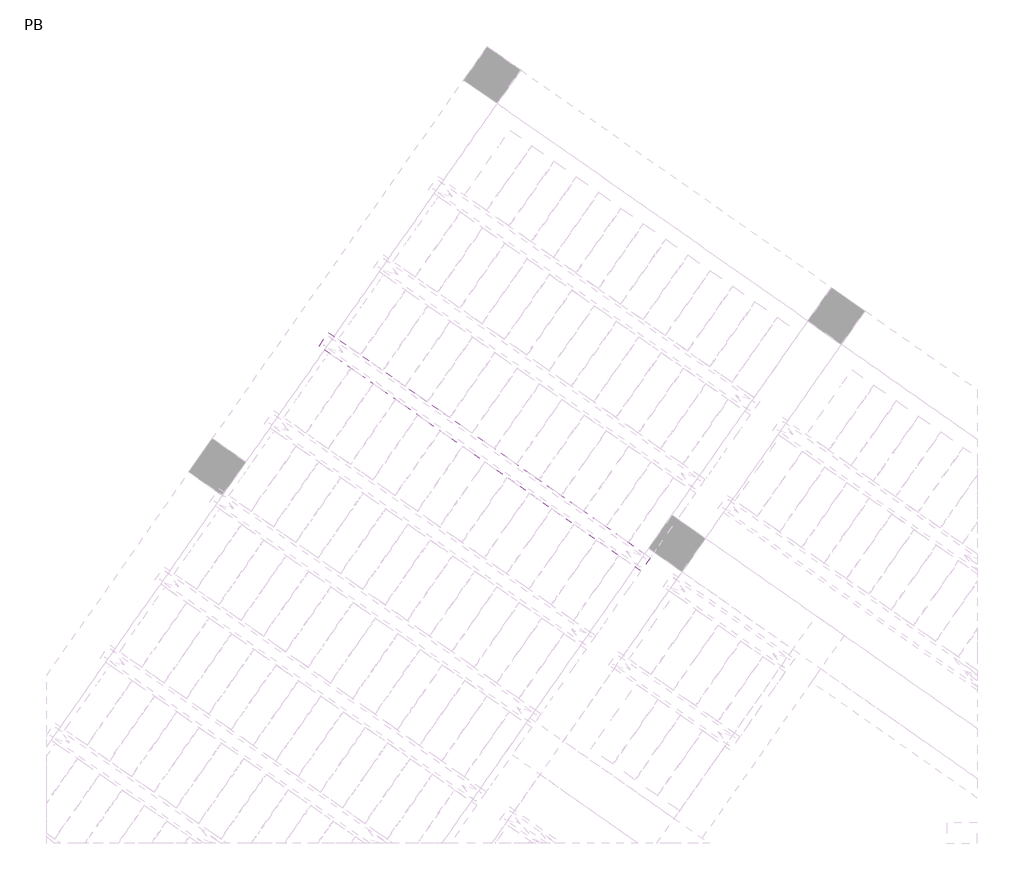
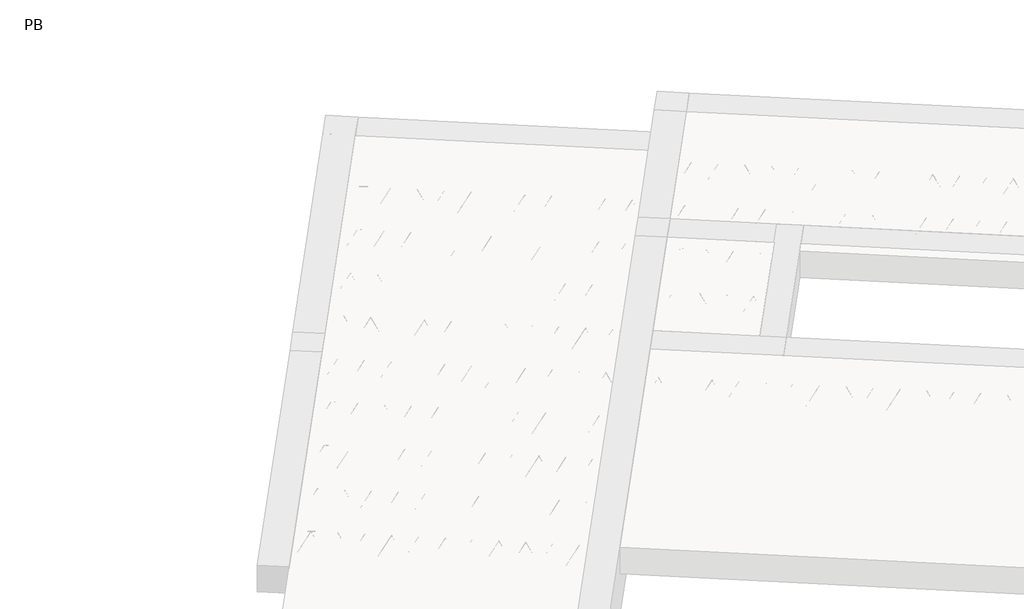
# One storey, part 49 of 56: 2 beams.
"""IFC4 building model written with IfcOpenShell, lengths in millimetres."""

from ifc_helpers import new_model, si_unit, point, frame, origin, origin_2d, place, context, project, spatial, polyline, circle_curve, trimmed, segment, composite_curve, outline, extrude, element, save

model = new_model("IFC4")

# Units and contexts
model_context = context("Model", 3, world=origin())
ifc_project = project(units=[si_unit("LENGTHUNIT", "METRE", prefix="MILLI")], contexts=[model_context])

# Site, building, storey
site = spatial("IfcSite", under=ifc_project)
building = spatial("IfcBuilding", under=site)
storey = spatial("IfcBuildingStorey", under=building, Name="PB", Elevation=95940.0)

# Beams
placement = place(None, origin())
element("IfcBeam", 1, at=placement, inside=storey, context=model_context, shape_type="SweptSolid", body=[
    extrude(outline(polyline([(3202.1787768, 8977.0732578), (3271.0079492, 9075.3715031), (5633.7631265, 7420.9525169), (5564.9339541, 7322.6542715), (3202.1787768, 8977.0732578)])), frame((0.0, 0.0, 98760.0), z_axis=(0.0, 0.0, 1.0), x_axis=(1.0, 0.0, 0.0)), (0.0, 0.0, 1.0), 50.0),
    extrude(outline(composite_curve([segment(trimmed(circle_curve(origin_2d(), 2.5), [point((-2.5, 0.0))], [point((2.5, 0.0))], False, "CARTESIAN"), True, "CONTINUOUS"), segment(trimmed(circle_curve(origin_2d(), 2.5), [point((2.5, 0.0))], [point((-2.5, 0.0))], False, "CARTESIAN"), True, "CONTINUOUS")], self_intersect=False)), frame((5559.0401395, 7356.0797551, 98785.0), z_axis=(-0.8191520442696126, 0.5735764363787226, 0.0), x_axis=(0.5735764363787226, 0.8191520442696126, 0.0)), (0.0, 0.0, 1.0), 2836.39148),
    extrude(outline(composite_curve([segment(trimmed(circle_curve(origin_2d(), 2.5), [point((-2.5, 0.0))], [point((2.4999999, 0.0))], False, "CARTESIAN"), True, "CONTINUOUS"), segment(trimmed(circle_curve(origin_2d(), 2.5), [point((2.4999999, 0.0))], [point((-2.5, 0.0))], False, "CARTESIAN"), True, "CONTINUOUS")], self_intersect=False)), frame((5482.8686094, 7453.3635199, 99010.0), z_axis=(-0.8191520442696126, 0.5735764363787226, 0.0), x_axis=(0.5735764363787226, 0.8191520442696126, 0.0)), (0.0, 0.0, 1.0), 2600.0),
    extrude(outline(composite_curve([segment(trimmed(circle_curve(origin_2d(), 2.5), [point((-2.5, 0.0))], [point((2.5, 0.0))], False, "CARTESIAN"), True, "CONTINUOUS"), segment(trimmed(circle_curve(origin_2d(), 2.5), [point((2.5, 0.0))], [point((-2.5, 0.0))], False, "CARTESIAN"), True, "CONTINUOUS")], self_intersect=False)), frame((5523.656261, 7380.8558136, 98785.0), z_axis=(-0.3145304735701046, 0.38933448886848654, 0.8657304643902053), x_axis=(0.7778747638402499, 0.6284193279813057, 0.0)), (0.0, 0.0, 1.0), 259.8961331),
    extrude(outline(composite_curve([segment(trimmed(circle_curve(origin_2d(), 2.5), [point((2.5, 0.0))], [point((-2.5, 0.0))], False, "CARTESIAN"), True, "CONTINUOUS"), segment(trimmed(circle_curve(origin_2d(), 2.5), [point((-2.5, 0.0))], [point((2.5, 0.0))], False, "CARTESIAN"), True, "CONTINUOUS")], self_intersect=False)), frame((5318.8682499, 7524.2499227, 98785.0), z_axis=(0.47343050384693375, -0.16240172737369005, 0.8657304643902051), x_axis=(-0.3244721671091268, -0.9458952440791246, 0.0)), (0.0, 0.0, 1.0), 259.8961331),
    extrude(outline(composite_curve([segment(trimmed(circle_curve(origin_2d(), 2.5), [point((-2.5, 0.0))], [point((2.5, 0.0))], False, "CARTESIAN"), True, "CONTINUOUS"), segment(trimmed(circle_curve(origin_2d(), 2.5), [point((2.5, 0.0))], [point((-2.5, 0.0))], False, "CARTESIAN"), True, "CONTINUOUS")], self_intersect=False)), frame((5318.8682499, 7524.2499227, 98785.0), z_axis=(-0.3145304735701046, 0.38933448886848654, 0.8657304643902053), x_axis=(0.7778747638402499, 0.6284193279813057, 0.0)), (0.0, 0.0, 1.0), 259.8961331),
    extrude(outline(composite_curve([segment(trimmed(circle_curve(origin_2d(), 2.5), [point((2.5, 0.0))], [point((-2.5, 1e-07))], False, "CARTESIAN"), True, "CONTINUOUS"), segment(trimmed(circle_curve(origin_2d(), 2.5), [point((-2.5, 1e-07))], [point((2.5, 0.0))], False, "CARTESIAN"), True, "CONTINUOUS")], self_intersect=False)), frame((5114.0802388, 7667.6440318, 98785.0), z_axis=(0.47343050384693375, -0.16240172737369005, 0.8657304643902051), x_axis=(-0.3244721671091268, -0.9458952440791246, 0.0)), (0.0, 0.0, 1.0), 259.8961331),
    extrude(outline(composite_curve([segment(trimmed(circle_curve(origin_2d(), 2.5), [point((-2.5, 0.0))], [point((2.5, 0.0))], False, "CARTESIAN"), True, "CONTINUOUS"), segment(trimmed(circle_curve(origin_2d(), 2.5), [point((2.5, 0.0))], [point((-2.5, 0.0))], False, "CARTESIAN"), True, "CONTINUOUS")], self_intersect=False)), frame((5114.0802388, 7667.6440318, 98785.0), z_axis=(-0.3145304735701046, 0.38933448886848654, 0.8657304643902053), x_axis=(0.7778747638402499, 0.6284193279813057, 0.0)), (0.0, 0.0, 1.0), 259.8961331),
    extrude(outline(composite_curve([segment(trimmed(circle_curve(origin_2d(), 2.5), [point((2.5, 0.0))], [point((-2.5, 0.0))], False, "CARTESIAN"), True, "CONTINUOUS"), segment(trimmed(circle_curve(origin_2d(), 2.5), [point((-2.5, 0.0))], [point((2.5, 0.0))], False, "CARTESIAN"), True, "CONTINUOUS")], self_intersect=False)), frame((4909.2922278, 7811.0381409, 98785.0), z_axis=(0.47343050384693375, -0.16240172737369005, 0.8657304643902051), x_axis=(-0.3244721671091268, -0.9458952440791246, 0.0)), (0.0, 0.0, 1.0), 259.8961331),
    extrude(outline(composite_curve([segment(trimmed(circle_curve(origin_2d(), 2.5), [point((-2.5, -1e-07))], [point((2.5, 0.0))], False, "CARTESIAN"), True, "CONTINUOUS"), segment(trimmed(circle_curve(origin_2d(), 2.5), [point((2.5, 0.0))], [point((-2.5, -1e-07))], False, "CARTESIAN"), True, "CONTINUOUS")], self_intersect=False)), frame((4909.2922278, 7811.0381409, 98785.0), z_axis=(-0.3145304735701046, 0.38933448886848654, 0.8657304643902053), x_axis=(0.7778747638402499, 0.6284193279813057, 0.0)), (0.0, 0.0, 1.0), 259.8961331),
    extrude(outline(composite_curve([segment(trimmed(circle_curve(origin_2d(), 2.5), [point((2.5, 0.0))], [point((-2.5, 0.0))], False, "CARTESIAN"), True, "CONTINUOUS"), segment(trimmed(circle_curve(origin_2d(), 2.5), [point((-2.5, 0.0))], [point((2.5, 0.0))], False, "CARTESIAN"), True, "CONTINUOUS")], self_intersect=False)), frame((4704.5042167, 7954.43225, 98785.0), z_axis=(0.47343050384693375, -0.16240172737369005, 0.8657304643902051), x_axis=(-0.3244721671091268, -0.9458952440791246, 0.0)), (0.0, 0.0, 1.0), 259.8961331),
    extrude(outline(composite_curve([segment(trimmed(circle_curve(origin_2d(), 2.5), [point((-2.5, 0.0))], [point((2.5, 0.0))], False, "CARTESIAN"), True, "CONTINUOUS"), segment(trimmed(circle_curve(origin_2d(), 2.5), [point((2.5, 0.0))], [point((-2.5, 0.0))], False, "CARTESIAN"), True, "CONTINUOUS")], self_intersect=False)), frame((4704.5042165, 7954.4322501, 98785.0), z_axis=(-0.3145304735701046, 0.38933448886848654, 0.8657304643902053), x_axis=(0.7778747638402499, 0.6284193279813057, 0.0)), (0.0, 0.0, 1.0), 259.8961331),
    extrude(outline(composite_curve([segment(trimmed(circle_curve(origin_2d(), 2.5), [point((2.5, 0.0))], [point((-2.5, 0.0))], False, "CARTESIAN"), True, "CONTINUOUS"), segment(trimmed(circle_curve(origin_2d(), 2.5), [point((-2.5, 0.0))], [point((2.5, 0.0))], False, "CARTESIAN"), True, "CONTINUOUS")], self_intersect=False)), frame((4499.7162055, 8097.8263592, 98785.0), z_axis=(0.47343050384693375, -0.16240172737369005, 0.8657304643902051), x_axis=(-0.3244721671091268, -0.9458952440791246, 0.0)), (0.0, 0.0, 1.0), 259.8961331),
    extrude(outline(composite_curve([segment(trimmed(circle_curve(origin_2d(), 2.5), [point((-2.5, 0.0))], [point((2.5, 0.0))], False, "CARTESIAN"), True, "CONTINUOUS"), segment(trimmed(circle_curve(origin_2d(), 2.5), [point((2.5, 0.0))], [point((-2.5, 0.0))], False, "CARTESIAN"), True, "CONTINUOUS")], self_intersect=False)), frame((4499.7162055, 8097.8263592, 98785.0), z_axis=(-0.3145304735701046, 0.38933448886848654, 0.8657304643902053), x_axis=(0.7778747638402499, 0.6284193279813057, 0.0)), (0.0, 0.0, 1.0), 259.8961331),
    extrude(outline(composite_curve([segment(trimmed(circle_curve(origin_2d(), 2.5), [point((2.5, 0.0))], [point((-2.5, 0.0))], False, "CARTESIAN"), True, "CONTINUOUS"), segment(trimmed(circle_curve(origin_2d(), 2.5), [point((-2.5, 0.0))], [point((2.5, 0.0))], False, "CARTESIAN"), True, "CONTINUOUS")], self_intersect=False)), frame((4294.9281944, 8241.2204683, 98785.0), z_axis=(0.47343050384693375, -0.16240172737369005, 0.8657304643902051), x_axis=(-0.3244721671091268, -0.9458952440791246, 0.0)), (0.0, 0.0, 1.0), 259.8961331),
    extrude(outline(composite_curve([segment(trimmed(circle_curve(origin_2d(), 2.5), [point((-2.5, -1e-07))], [point((2.5, 0.0))], False, "CARTESIAN"), True, "CONTINUOUS"), segment(trimmed(circle_curve(origin_2d(), 2.5), [point((2.5, 0.0))], [point((-2.5, -1e-07))], False, "CARTESIAN"), True, "CONTINUOUS")], self_intersect=False)), frame((4294.9281944, 8241.2204683, 98785.0), z_axis=(-0.3145304735701046, 0.38933448886848654, 0.8657304643902053), x_axis=(0.7778747638402499, 0.6284193279813057, 0.0)), (0.0, 0.0, 1.0), 259.8961331),
    extrude(outline(composite_curve([segment(trimmed(circle_curve(origin_2d(), 2.5), [point((2.5000001, 0.0))], [point((-2.5, 1e-07))], False, "CARTESIAN"), True, "CONTINUOUS"), segment(trimmed(circle_curve(origin_2d(), 2.5), [point((-2.5, 1e-07))], [point((2.5000001, 0.0))], False, "CARTESIAN"), True, "CONTINUOUS")], self_intersect=False)), frame((4090.1401833, 8384.6145774, 98785.0), z_axis=(0.47343050384693375, -0.16240172737369005, 0.8657304643902051), x_axis=(-0.3244721671091268, -0.9458952440791246, 0.0)), (0.0, 0.0, 1.0), 259.8961331),
    extrude(outline(composite_curve([segment(trimmed(circle_curve(origin_2d(), 2.5), [point((-2.5, -1e-07))], [point((2.5, 0.0))], False, "CARTESIAN"), True, "CONTINUOUS"), segment(trimmed(circle_curve(origin_2d(), 2.5), [point((2.5, 0.0))], [point((-2.5, -1e-07))], False, "CARTESIAN"), True, "CONTINUOUS")], self_intersect=False)), frame((4090.1401833, 8384.6145774, 98785.0), z_axis=(-0.3145304735701046, 0.38933448886848654, 0.8657304643902053), x_axis=(0.7778747638402499, 0.6284193279813057, 0.0)), (0.0, 0.0, 1.0), 259.8961331),
    extrude(outline(composite_curve([segment(trimmed(circle_curve(origin_2d(), 2.5), [point((2.5000001, 0.0))], [point((-2.5, 0.0))], False, "CARTESIAN"), True, "CONTINUOUS"), segment(trimmed(circle_curve(origin_2d(), 2.5), [point((-2.5, 0.0))], [point((2.5000001, 0.0))], False, "CARTESIAN"), True, "CONTINUOUS")], self_intersect=False)), frame((3885.3521723, 8528.0086865, 98785.0), z_axis=(0.47343050384693375, -0.16240172737369005, 0.8657304643902051), x_axis=(-0.3244721671091268, -0.9458952440791246, 0.0)), (0.0, 0.0, 1.0), 259.8961331),
    extrude(outline(composite_curve([segment(trimmed(circle_curve(origin_2d(), 2.5), [point((-2.5, -1e-07))], [point((2.5, 0.0))], False, "CARTESIAN"), True, "CONTINUOUS"), segment(trimmed(circle_curve(origin_2d(), 2.5), [point((2.5, 0.0))], [point((-2.5, -1e-07))], False, "CARTESIAN"), True, "CONTINUOUS")], self_intersect=False)), frame((3885.3521723, 8528.0086865, 98785.0), z_axis=(-0.3145304735701046, 0.38933448886848654, 0.8657304643902053), x_axis=(0.7778747638402499, 0.6284193279813057, 0.0)), (0.0, 0.0, 1.0), 259.8961331),
    extrude(outline(composite_curve([segment(trimmed(circle_curve(origin_2d(), 2.5), [point((2.5, 0.0))], [point((-2.5000001, 0.0))], False, "CARTESIAN"), True, "CONTINUOUS"), segment(trimmed(circle_curve(origin_2d(), 2.5), [point((-2.5000001, 0.0))], [point((2.5, 0.0))], False, "CARTESIAN"), True, "CONTINUOUS")], self_intersect=False)), frame((3680.5641612, 8671.4027955, 98785.0), z_axis=(0.47343050384693375, -0.16240172737369005, 0.8657304643902051), x_axis=(-0.3244721671091268, -0.9458952440791246, 0.0)), (0.0, 0.0, 1.0), 259.8961331),
    extrude(outline(composite_curve([segment(trimmed(circle_curve(origin_2d(), 2.5), [point((-2.5, 0.0))], [point((2.5, 1e-07))], False, "CARTESIAN"), True, "CONTINUOUS"), segment(trimmed(circle_curve(origin_2d(), 2.5), [point((2.5, 1e-07))], [point((-2.5, 0.0))], False, "CARTESIAN"), True, "CONTINUOUS")], self_intersect=False)), frame((3680.5641612, 8671.4027955, 98785.0), z_axis=(-0.3145304735701046, 0.38933448886848654, 0.8657304643902053), x_axis=(0.7778747638402499, 0.6284193279813057, 0.0)), (0.0, 0.0, 1.0), 259.8961331),
    extrude(outline(composite_curve([segment(trimmed(circle_curve(origin_2d(), 2.5), [point((2.5, 0.0))], [point((-2.5000001, 0.0))], False, "CARTESIAN"), True, "CONTINUOUS"), segment(trimmed(circle_curve(origin_2d(), 2.5), [point((-2.5000001, 0.0))], [point((2.5, 0.0))], False, "CARTESIAN"), True, "CONTINUOUS")], self_intersect=False)), frame((3475.7761501, 8814.7969046, 98785.0), z_axis=(0.47343050384693375, -0.16240172737369005, 0.8657304643902051), x_axis=(-0.3244721671091268, -0.9458952440791246, 0.0)), (0.0, 0.0, 1.0), 259.8961331),
    extrude(outline(composite_curve([segment(trimmed(circle_curve(origin_2d(), 2.5), [point((-2.5, 0.0))], [point((2.5, 1e-07))], False, "CARTESIAN"), True, "CONTINUOUS"), segment(trimmed(circle_curve(origin_2d(), 2.5), [point((2.5, 1e-07))], [point((-2.5, 0.0))], False, "CARTESIAN"), True, "CONTINUOUS")], self_intersect=False)), frame((3475.7761501, 8814.7969046, 98785.0), z_axis=(-0.3145304735701046, 0.38933448886848654, 0.8657304643902053), x_axis=(0.7778747638402499, 0.6284193279813057, 0.0)), (0.0, 0.0, 1.0), 259.8961331),
    extrude(outline(composite_curve([segment(trimmed(circle_curve(origin_2d(), 2.5), [point((2.5, -1e-07))], [point((-2.5, 0.0))], False, "CARTESIAN"), True, "CONTINUOUS"), segment(trimmed(circle_curve(origin_2d(), 2.5), [point((-2.5, 0.0))], [point((2.5, -1e-07))], False, "CARTESIAN"), True, "CONTINUOUS")], self_intersect=False)), frame((3270.9881391, 8958.1910137, 98785.0), z_axis=(0.47343050384693375, -0.16240172737369005, 0.8657304643902051), x_axis=(-0.3244721671091268, -0.9458952440791246, 0.0)), (0.0, 0.0, 1.0), 259.8961331),
    extrude(outline(composite_curve([segment(trimmed(circle_curve(origin_2d(), 2.5), [point((-2.4999999, 0.0))], [point((2.5, 0.0))], False, "CARTESIAN"), True, "CONTINUOUS"), segment(trimmed(circle_curve(origin_2d(), 2.5), [point((2.5, 0.0))], [point((-2.4999999, 0.0))], False, "CARTESIAN"), True, "CONTINUOUS")], self_intersect=False)), frame((5600.3376429, 7415.0587023, 98785.0), z_axis=(-0.8191520442696126, 0.5735764363787226, 0.0), x_axis=(0.5735764363787226, 0.8191520442696126, 0.0)), (0.0, 0.0, 1.0), 2836.39148),
    extrude(outline(composite_curve([segment(trimmed(circle_curve(origin_2d(), 2.5), [point((-2.5, 0.0))], [point((2.5, 0.0))], False, "CARTESIAN"), True, "CONTINUOUS"), segment(trimmed(circle_curve(origin_2d(), 2.5), [point((2.5, 0.0))], [point((-2.5, 0.0))], False, "CARTESIAN"), True, "CONTINUOUS")], self_intersect=False)), frame((5564.9537644, 7439.8347608, 98785.0), z_axis=(-0.47343050384693375, 0.16240172737369005, 0.8657304643902051), x_axis=(0.3244721671091268, 0.9458952440791246, 0.0)), (0.0, 0.0, 1.0), 259.8961331),
    extrude(outline(composite_curve([segment(trimmed(circle_curve(origin_2d(), 2.5), [point((2.5, 1e-07))], [point((-2.5, 0.0))], False, "CARTESIAN"), True, "CONTINUOUS"), segment(trimmed(circle_curve(origin_2d(), 2.5), [point((-2.5, 0.0))], [point((2.5, 1e-07))], False, "CARTESIAN"), True, "CONTINUOUS")], self_intersect=False)), frame((5360.1657533, 7583.2288699, 98785.0), z_axis=(0.3145304735701046, -0.38933448886848654, 0.8657304643902053), x_axis=(-0.7778747638402499, -0.6284193279813057, 0.0)), (0.0, 0.0, 1.0), 259.8961331),
    extrude(outline(composite_curve([segment(trimmed(circle_curve(origin_2d(), 2.5), [point((-2.5, 0.0))], [point((2.5, 0.0))], False, "CARTESIAN"), True, "CONTINUOUS"), segment(trimmed(circle_curve(origin_2d(), 2.5), [point((2.5, 0.0))], [point((-2.5, 0.0))], False, "CARTESIAN"), True, "CONTINUOUS")], self_intersect=False)), frame((5360.1657533, 7583.2288699, 98785.0), z_axis=(-0.47343050384693375, 0.16240172737369005, 0.8657304643902051), x_axis=(0.3244721671091268, 0.9458952440791246, 0.0)), (0.0, 0.0, 1.0), 259.8961331),
    extrude(outline(composite_curve([segment(trimmed(circle_curve(origin_2d(), 2.5), [point((2.5000001, 0.0))], [point((-2.5, 0.0))], False, "CARTESIAN"), True, "CONTINUOUS"), segment(trimmed(circle_curve(origin_2d(), 2.5), [point((-2.5, 0.0))], [point((2.5000001, 0.0))], False, "CARTESIAN"), True, "CONTINUOUS")], self_intersect=False)), frame((5155.3777423, 7726.622979, 98785.0), z_axis=(0.3145304735701046, -0.38933448886848654, 0.8657304643902053), x_axis=(-0.7778747638402499, -0.6284193279813057, 0.0)), (0.0, 0.0, 1.0), 259.8961331),
    extrude(outline(composite_curve([segment(trimmed(circle_curve(origin_2d(), 2.5), [point((-2.5000001, 0.0))], [point((2.5, 0.0))], False, "CARTESIAN"), True, "CONTINUOUS"), segment(trimmed(circle_curve(origin_2d(), 2.5), [point((2.5, 0.0))], [point((-2.5000001, 0.0))], False, "CARTESIAN"), True, "CONTINUOUS")], self_intersect=False)), frame((5155.3777423, 7726.622979, 98785.0), z_axis=(-0.47343050384693375, 0.16240172737369005, 0.8657304643902051), x_axis=(0.3244721671091268, 0.9458952440791246, 0.0)), (0.0, 0.0, 1.0), 259.8961331),
    extrude(outline(composite_curve([segment(trimmed(circle_curve(origin_2d(), 2.5), [point((2.5, 1e-07))], [point((-2.5, 0.0))], False, "CARTESIAN"), True, "CONTINUOUS"), segment(trimmed(circle_curve(origin_2d(), 2.5), [point((-2.5, 0.0))], [point((2.5, 1e-07))], False, "CARTESIAN"), True, "CONTINUOUS")], self_intersect=False)), frame((4950.5897312, 7870.0170881, 98785.0), z_axis=(0.3145304735701046, -0.38933448886848654, 0.8657304643902053), x_axis=(-0.7778747638402499, -0.6284193279813057, 0.0)), (0.0, 0.0, 1.0), 259.8961331),
    extrude(outline(composite_curve([segment(trimmed(circle_curve(origin_2d(), 2.5), [point((-2.5000001, 0.0))], [point((2.5, 0.0))], False, "CARTESIAN"), True, "CONTINUOUS"), segment(trimmed(circle_curve(origin_2d(), 2.5), [point((2.5, 0.0))], [point((-2.5000001, 0.0))], False, "CARTESIAN"), True, "CONTINUOUS")], self_intersect=False)), frame((4950.5897312, 7870.0170881, 98785.0), z_axis=(-0.47343050384693375, 0.16240172737369005, 0.8657304643902051), x_axis=(0.3244721671091268, 0.9458952440791246, 0.0)), (0.0, 0.0, 1.0), 259.8961331),
    extrude(outline(composite_curve([segment(trimmed(circle_curve(origin_2d(), 2.5), [point((2.5, 0.0))], [point((-2.5, -1e-07))], False, "CARTESIAN"), True, "CONTINUOUS"), segment(trimmed(circle_curve(origin_2d(), 2.5), [point((-2.5, -1e-07))], [point((2.5, 0.0))], False, "CARTESIAN"), True, "CONTINUOUS")], self_intersect=False)), frame((4745.8017201, 8013.4111971, 98785.0), z_axis=(0.3145304735701046, -0.38933448886848654, 0.8657304643902053), x_axis=(-0.7778747638402499, -0.6284193279813057, 0.0)), (0.0, 0.0, 1.0), 259.8961331),
    extrude(outline(composite_curve([segment(trimmed(circle_curve(origin_2d(), 2.5), [point((-2.5, 1e-07))], [point((2.5, 0.0))], False, "CARTESIAN"), True, "CONTINUOUS"), segment(trimmed(circle_curve(origin_2d(), 2.5), [point((2.5, 0.0))], [point((-2.5, 1e-07))], False, "CARTESIAN"), True, "CONTINUOUS")], self_intersect=False)), frame((4745.80172, 8013.4111973, 98785.0), z_axis=(-0.47343050384693375, 0.16240172737369005, 0.8657304643902051), x_axis=(0.3244721671091268, 0.9458952440791246, 0.0)), (0.0, 0.0, 1.0), 259.8961331),
    extrude(outline(composite_curve([segment(trimmed(circle_curve(origin_2d(), 2.5), [point((2.5, 1e-07))], [point((-2.5, 0.0))], False, "CARTESIAN"), True, "CONTINUOUS"), segment(trimmed(circle_curve(origin_2d(), 2.5), [point((-2.5, 0.0))], [point((2.5, 1e-07))], False, "CARTESIAN"), True, "CONTINUOUS")], self_intersect=False)), frame((4541.0137089, 8156.8053064, 98785.0), z_axis=(0.3145304735701046, -0.38933448886848654, 0.8657304643902053), x_axis=(-0.7778747638402499, -0.6284193279813057, 0.0)), (0.0, 0.0, 1.0), 259.8961331),
    extrude(outline(composite_curve([segment(trimmed(circle_curve(origin_2d(), 2.5), [point((-2.5000001, 0.0))], [point((2.5, 0.0))], False, "CARTESIAN"), True, "CONTINUOUS"), segment(trimmed(circle_curve(origin_2d(), 2.5), [point((2.5, 0.0))], [point((-2.5000001, 0.0))], False, "CARTESIAN"), True, "CONTINUOUS")], self_intersect=False)), frame((4541.0137089, 8156.8053064, 98785.0), z_axis=(-0.47343050384693375, 0.16240172737369005, 0.8657304643902051), x_axis=(0.3244721671091268, 0.9458952440791246, 0.0)), (0.0, 0.0, 1.0), 259.8961331),
    extrude(outline(composite_curve([segment(trimmed(circle_curve(origin_2d(), 2.5), [point((2.5, 1e-07))], [point((-2.5, 0.0))], False, "CARTESIAN"), True, "CONTINUOUS"), segment(trimmed(circle_curve(origin_2d(), 2.5), [point((-2.5, 0.0))], [point((2.5, 1e-07))], False, "CARTESIAN"), True, "CONTINUOUS")], self_intersect=False)), frame((4336.2256978, 8300.1994155, 98785.0), z_axis=(0.3145304735701046, -0.38933448886848654, 0.8657304643902053), x_axis=(-0.7778747638402499, -0.6284193279813057, 0.0)), (0.0, 0.0, 1.0), 259.8961331),
    extrude(outline(composite_curve([segment(trimmed(circle_curve(origin_2d(), 2.5), [point((-2.5000001, 0.0))], [point((2.5, 0.0))], False, "CARTESIAN"), True, "CONTINUOUS"), segment(trimmed(circle_curve(origin_2d(), 2.5), [point((2.5, 0.0))], [point((-2.5000001, 0.0))], False, "CARTESIAN"), True, "CONTINUOUS")], self_intersect=False)), frame((4336.2256978, 8300.1994155, 98785.0), z_axis=(-0.47343050384693375, 0.16240172737369005, 0.8657304643902051), x_axis=(0.3244721671091268, 0.9458952440791246, 0.0)), (0.0, 0.0, 1.0), 259.8961331),
    extrude(outline(composite_curve([segment(trimmed(circle_curve(origin_2d(), 2.5), [point((2.5000001, -1e-07))], [point((-2.5, -1e-07))], False, "CARTESIAN"), True, "CONTINUOUS"), segment(trimmed(circle_curve(origin_2d(), 2.5), [point((-2.5, -1e-07))], [point((2.5000001, -1e-07))], False, "CARTESIAN"), True, "CONTINUOUS")], self_intersect=False)), frame((4131.4376868, 8443.5935245, 98785.0), z_axis=(0.3145304735701046, -0.38933448886848654, 0.8657304643902053), x_axis=(-0.7778747638402499, -0.6284193279813057, 0.0)), (0.0, 0.0, 1.0), 259.8961331),
    extrude(outline(composite_curve([segment(trimmed(circle_curve(origin_2d(), 2.5), [point((-2.5, 1e-07))], [point((2.5000001, 0.0))], False, "CARTESIAN"), True, "CONTINUOUS"), segment(trimmed(circle_curve(origin_2d(), 2.5), [point((2.5000001, 0.0))], [point((-2.5, 1e-07))], False, "CARTESIAN"), True, "CONTINUOUS")], self_intersect=False)), frame((4131.4376868, 8443.5935245, 98785.0), z_axis=(-0.47343050384693375, 0.16240172737369005, 0.8657304643902051), x_axis=(0.3244721671091268, 0.9458952440791246, 0.0)), (0.0, 0.0, 1.0), 259.8961331),
    extrude(outline(composite_curve([segment(trimmed(circle_curve(origin_2d(), 2.5), [point((2.5, 0.0))], [point((-2.5, -1e-07))], False, "CARTESIAN"), True, "CONTINUOUS"), segment(trimmed(circle_curve(origin_2d(), 2.5), [point((-2.5, -1e-07))], [point((2.5, 0.0))], False, "CARTESIAN"), True, "CONTINUOUS")], self_intersect=False)), frame((3926.6496757, 8586.9876336, 98785.0), z_axis=(0.3145304735701046, -0.38933448886848654, 0.8657304643902053), x_axis=(-0.7778747638402499, -0.6284193279813057, 0.0)), (0.0, 0.0, 1.0), 259.8961331),
    extrude(outline(composite_curve([segment(trimmed(circle_curve(origin_2d(), 2.5), [point((-2.5, 0.0))], [point((2.5000001, 0.0))], False, "CARTESIAN"), True, "CONTINUOUS"), segment(trimmed(circle_curve(origin_2d(), 2.5), [point((2.5000001, 0.0))], [point((-2.5, 0.0))], False, "CARTESIAN"), True, "CONTINUOUS")], self_intersect=False)), frame((3926.6496757, 8586.9876336, 98785.0), z_axis=(-0.47343050384693375, 0.16240172737369005, 0.8657304643902051), x_axis=(0.3244721671091268, 0.9458952440791246, 0.0)), (0.0, 0.0, 1.0), 259.8961331),
    extrude(outline(composite_curve([segment(trimmed(circle_curve(origin_2d(), 2.5), [point((2.5, 0.0))], [point((-2.5, -1e-07))], False, "CARTESIAN"), True, "CONTINUOUS"), segment(trimmed(circle_curve(origin_2d(), 2.5), [point((-2.5, -1e-07))], [point((2.5, 0.0))], False, "CARTESIAN"), True, "CONTINUOUS")], self_intersect=False)), frame((3721.8616646, 8730.3817427, 98785.0), z_axis=(0.3145304735701046, -0.38933448886848654, 0.8657304643902053), x_axis=(-0.7778747638402499, -0.6284193279813057, 0.0)), (0.0, 0.0, 1.0), 259.8961331),
    extrude(outline(composite_curve([segment(trimmed(circle_curve(origin_2d(), 2.5), [point((-2.5, 0.0))], [point((2.5, 0.0))], False, "CARTESIAN"), True, "CONTINUOUS"), segment(trimmed(circle_curve(origin_2d(), 2.5), [point((2.5, 0.0))], [point((-2.5, 0.0))], False, "CARTESIAN"), True, "CONTINUOUS")], self_intersect=False)), frame((3721.8616646, 8730.3817427, 98785.0), z_axis=(-0.47343050384693375, 0.16240172737369005, 0.8657304643902051), x_axis=(0.3244721671091268, 0.9458952440791246, 0.0)), (0.0, 0.0, 1.0), 259.8961331),
    extrude(outline(composite_curve([segment(trimmed(circle_curve(origin_2d(), 2.5), [point((2.5000001, -1e-07))], [point((-2.5, 0.0))], False, "CARTESIAN"), True, "CONTINUOUS"), segment(trimmed(circle_curve(origin_2d(), 2.5), [point((-2.5, 0.0))], [point((2.5000001, -1e-07))], False, "CARTESIAN"), True, "CONTINUOUS")], self_intersect=False)), frame((3517.0736536, 8873.7758518, 98785.0), z_axis=(0.3145304735701046, -0.38933448886848654, 0.8657304643902053), x_axis=(-0.7778747638402499, -0.6284193279813057, 0.0)), (0.0, 0.0, 1.0), 259.8961331),
    extrude(outline(composite_curve([segment(trimmed(circle_curve(origin_2d(), 2.5), [point((-2.5, 1e-07))], [point((2.5, 0.0))], False, "CARTESIAN"), True, "CONTINUOUS"), segment(trimmed(circle_curve(origin_2d(), 2.5), [point((2.5, 0.0))], [point((-2.5, 1e-07))], False, "CARTESIAN"), True, "CONTINUOUS")], self_intersect=False)), frame((3517.0736536, 8873.7758518, 98785.0), z_axis=(-0.47343050384693375, 0.16240172737369005, 0.8657304643902051), x_axis=(0.3244721671091268, 0.9458952440791246, 0.0)), (0.0, 0.0, 1.0), 259.8961331),
    extrude(outline(composite_curve([segment(trimmed(circle_curve(origin_2d(), 2.5), [point((2.5, 0.0))], [point((-2.5, 0.0))], False, "CARTESIAN"), True, "CONTINUOUS"), segment(trimmed(circle_curve(origin_2d(), 2.5), [point((-2.5, 0.0))], [point((2.5, 0.0))], False, "CARTESIAN"), True, "CONTINUOUS")], self_intersect=False)), frame((3312.2856425, 9017.1699609, 98785.0), z_axis=(0.3145304735701046, -0.38933448886848654, 0.8657304643902053), x_axis=(-0.7778747638402499, -0.6284193279813057, 0.0)), (0.0, 0.0, 1.0), 259.8961331),
])
element("IfcBeam", 2, at=placement, inside=storey, context=model_context, shape_type="SweptSolid", body=[
    extrude(outline(polyline([(3603.7111648, 9550.459465), (3672.5403371, 9648.7577103), (6035.266632, 7994.3589478), (5966.4374596, 7896.0607025), (3603.7111648, 9550.459465)])), frame((0.0, 0.0, 98760.0), z_axis=(0.0, 0.0, 1.0), x_axis=(1.0, 0.0, 0.0)), (0.0, 0.0, 1.0), 50.0),
])

save(model, "model.ifc")
